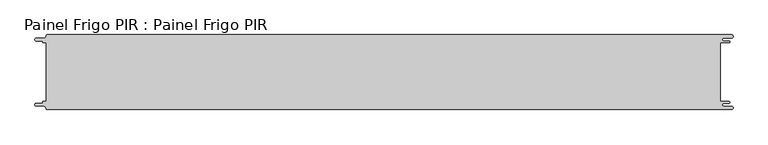
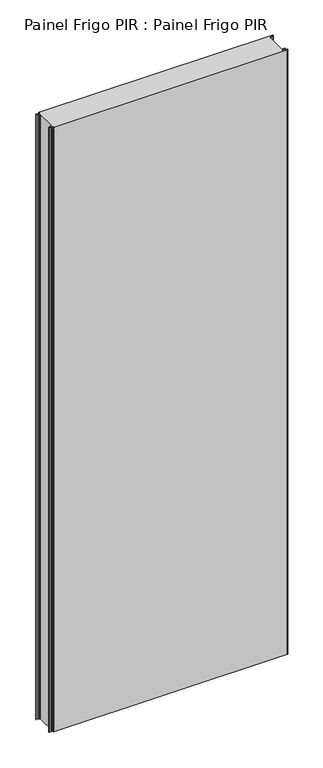
"""IFC4 building model written with IfcOpenShell, lengths in millimetres: proxy geometry, Painel Frigo PIR : Painel Frigo PIR."""

from ifc_helpers import new_model, si_unit, frame, origin, place, context, project, spatial, polyline, circle_curve, source, transform, mapped, element, save
from ifc_brep_helpers import plane_surface, cylinder_surface, revolved_surface, advanced_brep


def painel_frigo_pir_painel_frigo_pir_8e114a1d(model_context):
    return source(origin(), model_context, "Body", "AdvancedBrep", [
        advanced_brep(
        [(-554.5874998, 47.3, 3000.0), (-549.2999612, 47.3, 3000.0), (-549.2999612, -47.2999995, 3000.0), (-554.5874998, -47.2999995, 3000.0), (-555.1875003, -47.9, 3000.0), (-555.1875003, -48.7085185, 3000.0), (-556.5875003, -50.1085185, 3000.0), (-565.565625, -50.1085185, 3000.0), (-565.565625, -54.5085185, 3000.0), (-553.55, -54.5085185, 3000.0), (-550.0, -58.0585185, 3000.0), (-548.05, -60.0, 3000.0), (546.89375, -60.0, 3000.0), (546.89375, -54.725, 3000.0), (534.45625, -54.725, 3000.0), (534.45625, -49.875, 3000.0), (543.1187503, -49.875, 3000.0), (543.1187503, -47.3, 3000.0), (529.2687503, -47.3, 3000.0), (529.2687503, 47.3, 3000.0), (543.1187503, 47.3, 3000.0), (543.1187503, 49.875, 3000.0), (534.45625, 49.875, 3000.0), (534.45625, 54.725, 3000.0), (546.89375, 54.725, 3000.0), (546.89375, 60.0, 3000.0), (-548.05, 60.0, 3000.0), (-550.0, 58.05, 3000.0), (-553.55, 54.5085185, 3000.0), (-565.565625, 54.5085185, 3000.0), (-565.565625, 50.1085187, 3000.0), (-556.5875001, 50.1085187, 3000.0), (-555.1874998, 48.7085184, 3000.0), (-555.1874998, 47.9, 3000.0), (-554.5874998, 47.3, 0.0), (-555.1874998, 47.9, 0.0), (-555.1874998, 48.7085184, 0.0), (-556.5875001, 50.1085187, 0.0), (-565.565625, 50.1085187, 0.0), (-565.565625, 54.5085185, 0.0), (-553.55, 54.5085185, 0.0), (-550.0, 58.0585185, 0.0), (-548.05, 60.0, 0.0), (546.89375, 60.0, 0.0), (546.89375, 54.725, 0.0), (534.45625, 54.725, 0.0), (534.45625, 49.875, 0.0), (543.1187503, 49.875, 0.0), (543.1187503, 47.3, 0.0), (529.2687503, 47.3, 0.0), (529.2687503, -47.3, 0.0), (543.1187503, -47.3, 0.0), (543.1187503, -49.875, 0.0), (534.45625, -49.875, 0.0), (534.45625, -54.725, 0.0), (546.89375, -54.725, 0.0), (546.89375, -60.0, 0.0), (-548.05, -60.0, 0.0), (-550.0, -58.05, 0.0), (-553.55, -54.5085185, 0.0), (-565.565625, -54.5085185, 0.0), (-565.565625, -50.1085185, 0.0), (-556.5875003, -50.1085185, 0.0), (-555.1875003, -48.7085185, 0.0), (-555.1875003, -47.9, 0.0), (-554.5874998, -47.2999995, 0.0), (-549.2999612, -47.2999995, 0.0), (-549.2999612, 47.3, 0.0)],
        [
            (0, 1),
            (1, 2),
            (2, 3),
            (3, 4, circle_curve(frame((-554.5874998, -47.9, 3000.0), z_axis=(0.0, 0.0, 1.0), x_axis=(1.0, 0.0, 0.0)), 0.6000005)),
            (4, 5),
            (5, 6, circle_curve(frame((-556.5875003, -48.7085185, 3000.0), z_axis=(0.0, 0.0, -1.0), x_axis=(1.0, 0.0, 0.0)), 1.4)),
            (6, 7),
            (7, 8, circle_curve(frame((-565.565625, -52.3085185, 3000.0), z_axis=(0.0, 0.0, 1.0), x_axis=(1.0, 0.0, 0.0)), 2.2)),
            (8, 9),
            (9, 10, circle_curve(frame((-553.55, -58.0585185, 3000.0), z_axis=(0.0, 0.0, -1.0), x_axis=(1.0, 0.0, 0.0)), 3.55)),
            (10, 11, circle_curve(frame((-548.05, -58.05, 3000.0), z_axis=(0.0, 0.0, 1.0), x_axis=(1.0, 0.0, 0.0)), 1.95)),
            (11, 12),
            (12, 13, circle_curve(frame((546.89375, -57.3625, 3000.0), z_axis=(0.0, 0.0, 1.0), x_axis=(1.0, 0.0, 0.0)), 2.6375)),
            (13, 14),
            (14, 15, circle_curve(frame((534.45625, -52.3, 3000.0), z_axis=(0.0, 0.0, -1.0), x_axis=(1.0, 0.0, 0.0)), 2.425)),
            (15, 16),
            (16, 17, circle_curve(frame((543.1187503, -48.5875, 3000.0), z_axis=(0.0, 0.0, 1.0), x_axis=(1.0, 0.0, 0.0)), 1.2875)),
            (17, 18),
            (18, 19),
            (19, 20),
            (20, 21, circle_curve(frame((543.1187503, 48.5875, 3000.0), z_axis=(0.0, 0.0, 1.0), x_axis=(1.0, 0.0, 0.0)), 1.2875)),
            (21, 22),
            (22, 23, circle_curve(frame((534.45625, 52.3, 3000.0), z_axis=(0.0, 0.0, -1.0), x_axis=(1.0, 0.0, 0.0)), 2.425)),
            (23, 24),
            (24, 25, circle_curve(frame((546.89375, 57.3625, 3000.0), z_axis=(0.0, 0.0, 1.0), x_axis=(1.0, 0.0, 0.0)), 2.6375)),
            (25, 26),
            (26, 27, circle_curve(frame((-548.05, 58.05, 3000.0), z_axis=(0.0, 0.0, 1.0), x_axis=(1.0, 0.0, 0.0)), 1.95)),
            (27, 28, circle_curve(frame((-553.55, 58.0585185, 3000.0), z_axis=(0.0, 0.0, -1.0), x_axis=(1.0, 0.0, 0.0)), 3.55)),
            (28, 29),
            (29, 30, circle_curve(frame((-565.565625, 52.3085186, 3000.0), z_axis=(0.0, 0.0, 1.0), x_axis=(1.0, 0.0, 0.0)), 2.1999999)),
            (30, 31),
            (31, 32, circle_curve(frame((-556.5875001, 48.7085184, 3000.0), z_axis=(0.0, 0.0, -1.0), x_axis=(1.0, 0.0, 0.0)), 1.4000003)),
            (32, 33),
            (33, 0, circle_curve(frame((-554.5874998, 47.9, 3000.0), z_axis=(0.0, 0.0, 1.0), x_axis=(1.0, 0.0, 0.0)), 0.6)),
            (34, 35, circle_curve(frame((-554.5874998, 47.9, 0.0), z_axis=(0.0, 0.0, -1.0), x_axis=(1.0, 0.0, 0.0)), 0.6)),
            (35, 36),
            (36, 37, circle_curve(frame((-556.5875001, 48.7085184, 0.0), z_axis=(0.0, 0.0, 1.0), x_axis=(1.0, 0.0, 0.0)), 1.4000003)),
            (37, 38),
            (38, 39, circle_curve(frame((-565.565625, 52.3085186, 0.0), z_axis=(0.0, 0.0, -1.0), x_axis=(1.0, 0.0, 0.0)), 2.1999999)),
            (39, 40),
            (40, 41, circle_curve(frame((-553.55, 58.0585185, 0.0), z_axis=(0.0, 0.0, 1.0), x_axis=(1.0, 0.0, 0.0)), 3.55)),
            (41, 42, circle_curve(frame((-548.05, 58.05, 0.0), z_axis=(0.0, 0.0, -1.0), x_axis=(1.0, 0.0, 0.0)), 1.95)),
            (42, 43),
            (43, 44, circle_curve(frame((546.89375, 57.3625, 0.0), z_axis=(0.0, 0.0, -1.0), x_axis=(1.0, 0.0, 0.0)), 2.6375)),
            (44, 45),
            (45, 46, circle_curve(frame((534.45625, 52.3, 0.0), z_axis=(0.0, 0.0, 1.0), x_axis=(1.0, 0.0, 0.0)), 2.425)),
            (46, 47),
            (47, 48, circle_curve(frame((543.1187503, 48.5875, 0.0), z_axis=(0.0, 0.0, -1.0), x_axis=(1.0, 0.0, 0.0)), 1.2875)),
            (48, 49),
            (49, 50),
            (50, 51),
            (51, 52, circle_curve(frame((543.1187503, -48.5875, 0.0), z_axis=(0.0, 0.0, -1.0), x_axis=(1.0, 0.0, 0.0)), 1.2875)),
            (52, 53),
            (53, 54, circle_curve(frame((534.45625, -52.3, 0.0), z_axis=(0.0, 0.0, 1.0), x_axis=(1.0, 0.0, 0.0)), 2.425)),
            (54, 55),
            (55, 56, circle_curve(frame((546.89375, -57.3625, 0.0), z_axis=(0.0, 0.0, -1.0), x_axis=(1.0, 0.0, 0.0)), 2.6375)),
            (56, 57),
            (57, 58, circle_curve(frame((-548.05, -58.05, 0.0), z_axis=(0.0, 0.0, -1.0), x_axis=(1.0, 0.0, 0.0)), 1.95)),
            (58, 59, circle_curve(frame((-553.55, -58.0585185, 0.0), z_axis=(0.0, 0.0, 1.0), x_axis=(1.0, 0.0, 0.0)), 3.55)),
            (59, 60),
            (60, 61, circle_curve(frame((-565.565625, -52.3085185, 0.0), z_axis=(0.0, 0.0, -1.0), x_axis=(1.0, 0.0, 0.0)), 2.2)),
            (61, 62),
            (62, 63, circle_curve(frame((-556.5875003, -48.7085185, 0.0), z_axis=(0.0, 0.0, 1.0), x_axis=(1.0, 0.0, 0.0)), 1.4)),
            (63, 64),
            (64, 65, circle_curve(frame((-554.5874998, -47.9, 0.0), z_axis=(0.0, 0.0, -1.0), x_axis=(1.0, 0.0, 0.0)), 0.6000005)),
            (65, 66),
            (66, 67),
            (67, 34),
            (0, 34),
            (67, 1),
            (66, 2),
            (65, 3),
            (64, 4),
            (63, 5),
            (62, 6),
            (61, 7),
            (60, 8),
            (59, 9),
            (58, 10),
            (57, 11),
            (56, 12),
            (18, 50),
            (49, 19),
            (48, 20),
            (47, 21),
            (46, 22),
            (45, 23),
            (44, 24),
            (43, 25),
            (42, 26),
            (41, 27),
            (40, 28),
            (39, 29),
            (38, 30),
            (37, 31),
            (36, 32),
            (35, 33),
            (55, 13),
            (54, 14),
            (53, 15),
            (52, 16),
            (51, 17),
        ],
        [
            plane_surface(frame((-549.2999612, 47.3, 3000.0), z_axis=(0.0, 0.0, 1.0), x_axis=(1.0, 0.0, 0.0))),
            plane_surface(frame((-549.2999612, 47.3, 0.0), z_axis=(0.0, 0.0, -1.0), x_axis=(-1.0, 0.0, 0.0))),
            plane_surface(frame((-554.5874998, 47.3, 3000.0), z_axis=(0.0, -1.0, 0.0), x_axis=(0.0, 0.0, -1.0))),
            plane_surface(frame((-549.2999612, 47.3, 3000.0), z_axis=(-1.0, 0.0, 0.0), x_axis=(0.0, 0.0, -1.0))),
            plane_surface(frame((-549.2999612, -47.2999995, 3000.0), z_axis=(0.0, 1.0, 0.0), x_axis=(0.0, 0.0, -1.0))),
            cylinder_surface(frame((-554.5874998, -47.9, 0.0), z_axis=(0.0, 0.0, 1.0), x_axis=(1.0, 0.0, 0.0)), 0.6000005),
            plane_surface(frame((-555.1875003, -47.9, 3000.0), z_axis=(-1.0, 1.757860866232952e-12, 0.0), x_axis=(0.0, 0.0, -1.0))),
            revolved_surface(polyline([(-555.1875003, -48.7085185, 0.0), (-555.1875003, -48.7085185, 3000.0)]), (-556.5875003, -48.7085185, 0.0), (0.0, 0.0, -1.0)),
            plane_surface(frame((-556.5875003, -50.1085185, 3000.0), z_axis=(0.0, 1.0, 0.0), x_axis=(0.0, 0.0, -1.0))),
            cylinder_surface(frame((-565.565625, -52.3085185, 0.0), z_axis=(0.0, 0.0, 1.0), x_axis=(1.0, 0.0, 0.0)), 2.2),
            plane_surface(frame((-565.565625, -54.5085185, 3000.0), z_axis=(0.0, -1.0, 0.0), x_axis=(0.0, 0.0, -1.0))),
            revolved_surface(polyline([(-550.0, -58.0585185, 0.0), (-550.0, -58.0585185, 3000.0)]), (-553.55, -58.0585185, 0.0), (0.0, 0.0, -1.0)),
            cylinder_surface(frame((-548.05, -58.05, 0.0), z_axis=(0.0, 0.0, 1.0), x_axis=(1.0, 0.0, 0.0)), 1.95),
            plane_surface(frame((-548.05, -60.0, 3000.0), z_axis=(0.0, -1.0, 0.0), x_axis=(0.0, 0.0, -1.0))),
            plane_surface(frame((529.2687503, -47.3, 3000.0), z_axis=(1.0, 0.0, 0.0), x_axis=(0.0, 0.0, -1.0))),
            plane_surface(frame((529.2687503, 47.3, 3000.0), z_axis=(0.0, -1.0, 0.0), x_axis=(0.0, 0.0, -1.0))),
            cylinder_surface(frame((543.1187503, 48.5875, 0.0), z_axis=(0.0, 0.0, 1.0), x_axis=(1.0, 0.0, 0.0)), 1.2875),
            plane_surface(frame((543.1187503, 49.875, 3000.0), z_axis=(0.0, 1.0, 0.0), x_axis=(0.0, 0.0, -1.0))),
            revolved_surface(polyline([(536.8812499999999, 52.3, 0.0), (536.8812499999999, 52.3, 3000.0)]), (534.45625, 52.3, 0.0), (0.0, 0.0, -1.0)),
            plane_surface(frame((534.45625, 54.725, 3000.0), z_axis=(0.0, -1.0, 0.0), x_axis=(0.0, 0.0, -1.0))),
            cylinder_surface(frame((546.89375, 57.3625, 0.0), z_axis=(0.0, 0.0, 1.0), x_axis=(1.0, 0.0, 0.0)), 2.6375),
            plane_surface(frame((546.89375, 60.0, 3000.0), z_axis=(0.0, 1.0, 0.0), x_axis=(0.0, 0.0, -1.0))),
            cylinder_surface(frame((-548.05, 58.05, 0.0), z_axis=(0.0, 0.0, 1.0), x_axis=(1.0, 0.0, 0.0)), 1.95),
            revolved_surface(polyline([(-550.0, 58.0585185, 0.0), (-550.0, 58.0585185, 3000.0)]), (-553.55, 58.0585185, 0.0), (0.0, 0.0, -1.0)),
            plane_surface(frame((-553.55, 54.5085185, 3000.0), z_axis=(0.0, 1.0, 0.0), x_axis=(0.0, 0.0, -1.0))),
            cylinder_surface(frame((-565.565625, 52.3085186, 0.0), z_axis=(0.0, 0.0, 1.0), x_axis=(1.0, 0.0, 0.0)), 2.1999999),
            plane_surface(frame((-565.565625, 50.1085187, 3000.0), z_axis=(0.0, -1.0, 0.0), x_axis=(0.0, 0.0, -1.0))),
            revolved_surface(polyline([(-555.1874998000001, 48.7085184, 0.0), (-555.1874998000001, 48.7085184, 3000.0)]), (-556.5875001, 48.7085184, 0.0), (0.0, 0.0, -1.0)),
            plane_surface(frame((-555.1874998, 48.7085184, 3000.0), z_axis=(-1.0, 0.0, 0.0), x_axis=(0.0, 0.0, -1.0))),
            cylinder_surface(frame((-554.5874998, 47.9, 0.0), z_axis=(0.0, 0.0, 1.0), x_axis=(1.0, 0.0, 0.0)), 0.6),
            cylinder_surface(frame((546.89375, -57.3625, 0.0), z_axis=(0.0, 0.0, 1.0), x_axis=(1.0, 0.0, 0.0)), 2.6375),
            plane_surface(frame((546.89375, -54.725, 3000.0), z_axis=(0.0, 1.0, 0.0), x_axis=(0.0, 0.0, -1.0))),
            revolved_surface(polyline([(536.8812499999999, -52.3, 0.0), (536.8812499999999, -52.3, 3000.0)]), (534.45625, -52.3, 0.0), (0.0, 0.0, -1.0)),
            plane_surface(frame((534.45625, -49.875, 3000.0), z_axis=(0.0, -1.0, 0.0), x_axis=(0.0, 0.0, -1.0))),
            cylinder_surface(frame((543.1187503, -48.5875, 0.0), z_axis=(0.0, 0.0, 1.0), x_axis=(1.0, 0.0, 0.0)), 1.2875),
            plane_surface(frame((543.1187503, -47.3, 3000.0), z_axis=(0.0, 1.0, 0.0), x_axis=(0.0, 0.0, -1.0))),
        ],
        [
            (0, [[1, 2, 3, 4, 5, 6, 7, 8, 9, 10, 11, 12, 13, 14, 15, 16, 17, 18, 19, 20, 21, 22, 23, 24, 25, 26, 27, 28, 29, 30, 31, 32, 33, 34]]),
            (1, [[35, 36, 37, 38, 39, 40, 41, 42, 43, 44, 45, 46, 47, 48, 49, 50, 51, 52, 53, 54, 55, 56, 57, 58, 59, 60, 61, 62, 63, 64, 65, 66, 67, 68]]),
            (2, [[-1, 69, -68, 70]]),
            (3, [[-2, -70, -67, 71]]),
            (4, [[-3, -71, -66, 72]]),
            (5, [[-4, -72, -65, 73]]),
            (6, [[-5, -73, -64, 74]]),
            (7, [[-6, -74, -63, 75]]),
            (8, [[-7, -75, -62, 76]]),
            (9, [[-8, -76, -61, 77]]),
            (10, [[-9, -77, -60, 78]]),
            (11, [[-10, -78, -59, 79]]),
            (12, [[-11, -79, -58, 80]]),
            (13, [[-12, -80, -57, 81]]),
            (14, [[-19, 82, -50, 83]]),
            (15, [[-20, -83, -49, 84]]),
            (16, [[-21, -84, -48, 85]]),
            (17, [[-22, -85, -47, 86]]),
            (18, [[-23, -86, -46, 87]]),
            (19, [[-24, -87, -45, 88]]),
            (20, [[-25, -88, -44, 89]]),
            (21, [[-26, -89, -43, 90]]),
            (22, [[-27, -90, -42, 91]]),
            (23, [[-28, -91, -41, 92]]),
            (24, [[-29, -92, -40, 93]]),
            (25, [[-30, -93, -39, 94]]),
            (26, [[-31, -94, -38, 95]]),
            (27, [[-32, -95, -37, 96]]),
            (28, [[-33, -96, -36, 97]]),
            (29, [[-34, -97, -35, -69]]),
            (30, [[-13, -81, -56, 98]]),
            (31, [[-14, -98, -55, 99]]),
            (32, [[-15, -99, -54, 100]]),
            (33, [[-16, -100, -53, 101]]),
            (34, [[-17, -101, -52, 102]]),
            (35, [[-18, -102, -51, -82]]),
        ],
    ),
    ])


if __name__ == "__main__":
    model = new_model("IFC4")
    model_context = context("Model", 3, world=origin())
    ifc_project = project(units=[si_unit("LENGTHUNIT", "METRE", prefix="MILLI")], contexts=[model_context])
    site = spatial("IfcSite", under=ifc_project)
    building = spatial("IfcBuilding", under=site)
    placement = place(None, origin())
    painel_frigo_pir_painel_frigo_pir_shape = painel_frigo_pir_painel_frigo_pir_8e114a1d(model_context)
    element("IfcBuildingElementProxy", 1, Name="Painel Frigo PIR : Painel Frigo PIR", ObjectType="Painel Frigo PIR : Painel Frigo PIR", at=placement, inside=building, context=model_context, shape_type="MappedRepresentation", body=[
        mapped(painel_frigo_pir_painel_frigo_pir_shape, transform((0.0, 0.0, 0.0), x_axis=(1.0, 0.0, 0.0), y_axis=(0.0, 1.0, 0.0), z_axis=(0.0, 0.0, 1.0))),
    ])
    save(model, "model.ifc")
